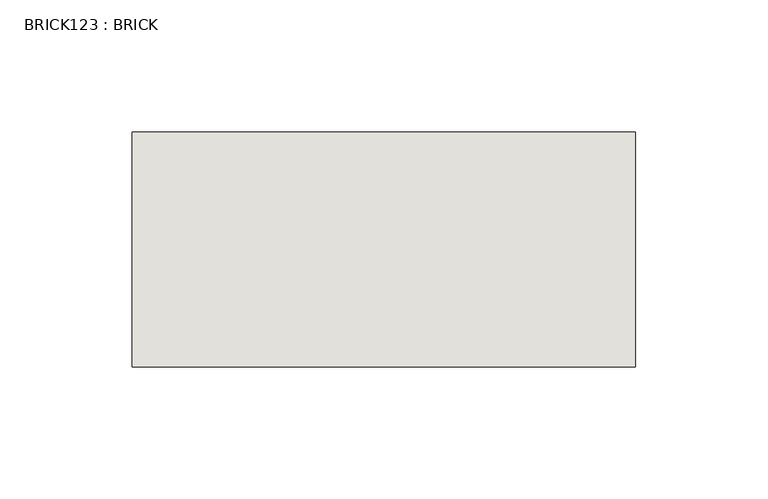
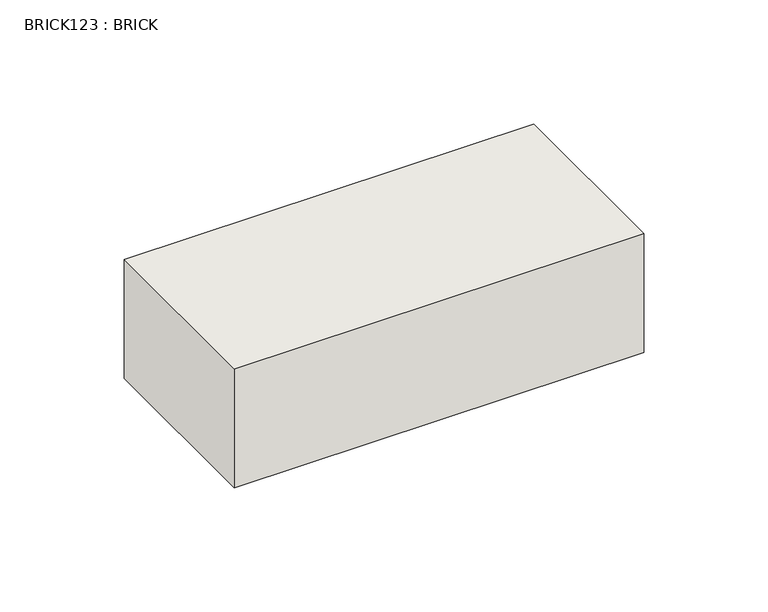
"""IFC4 building model written with IfcOpenShell, lengths in millimetres: wall geometry, BRICK123 : BRICK."""

import ifcopenshell
import ifcopenshell.guid

model = None  # the IFC model being written
_history = None  # IfcOwnerHistory: only IFC2X3 demands one
_inside = {}  # id of a spatial element -> (the spatial element, [elements in it])
_under = {}  # id of a project, library or spatial element -> (it, [spatial elements below it])
_declared = {}  # id of a project -> (the project, [libraries it declares])
_typed = {}  # id of a type object -> (the type object, [elements of that type])
_made_of = {}  # id of a material, layer set ... -> (it, [elements and type objects made of it])


def new_model(schema):
    """Start an empty IFC model of exactly this schema.

    Asked for "IFC4X3", IfcOpenShell would pick the latest addendum, in which some entities
    have other attributes; the version numbers below select the first issue.
    IFC2X3 requires an IfcOwnerHistory on every rooted entity: one is made here for all.
    """
    global model, _history
    if schema == "IFC4X3":
        model = ifcopenshell.file(schema_version=(4, 3, 0, 0))
    else:
        model = ifcopenshell.file(schema=schema)
    _inside.clear()
    _under.clear()
    _declared.clear()
    _typed.clear()
    _made_of.clear()
    _history = None
    if model.schema == "IFC2X3":
        org = make("IfcOrganization", Name="unknown")
        user = make(
            "IfcPersonAndOrganization",
            ThePerson=make("IfcPerson", FamilyName="unknown"),
            TheOrganization=org,
        )
        app = make(
            "IfcApplication",
            ApplicationDeveloper=org,
            Version="unknown",
            ApplicationFullName="unknown",
            ApplicationIdentifier="unknown",
        )
        _history = make(
            "IfcOwnerHistory",
            OwningUser=user,
            OwningApplication=app,
            ChangeAction="ADDED",
            CreationDate=0,
        )
    return model


def make(cls, **values):
    """One entity of the class cls with the attributes given. An attribute that is None is left unset."""
    return model.create_entity(
        cls, **{name: value for name, value in values.items() if value is not None}
    )


def rooted(cls, **values):
    """An entity with a GlobalId (a new one), such as an element, a storey or a relation."""
    return make(cls, GlobalId=ifcopenshell.guid.new(), OwnerHistory=_history, **values)


def si_unit(unit_type, name, prefix=None):
    """IfcSIUnit, for example si_unit("LENGTHUNIT", "METRE", prefix="MILLI")."""
    return make("IfcSIUnit", UnitType=unit_type, Prefix=prefix, Name=name)


def assignment(units):
    """IfcUnitAssignment: the units of a project."""
    return None if units is None else make("IfcUnitAssignment", Units=units)


def point(xyz):
    """IfcCartesianPoint."""
    return None if xyz is None else make("IfcCartesianPoint", Coordinates=xyz)


def direction(xyz):
    """IfcDirection."""
    return None if xyz is None else make("IfcDirection", DirectionRatios=xyz)


def frame(location, z_axis=None, x_axis=None):
    """IfcAxis2Placement3D, a coordinate frame: its origin and axes. An axis left out is left unset."""
    return make(
        "IfcAxis2Placement3D",
        Location=point(location),
        Axis=direction(z_axis),
        RefDirection=direction(x_axis),
    )


def origin():
    """The frame at (0, 0, 0) with its axes left unset."""
    return frame((0.0, 0.0, 0.0))


def place(relative_to, where):
    """IfcLocalPlacement: puts the frame where relative to a parent placement (None: the world)."""
    return make(
        "IfcLocalPlacement", PlacementRelTo=relative_to, RelativePlacement=where
    )


def context(
    kind, dimensions, precision=None, world=None, true_north=None, identifier=None
):
    """IfcGeometricRepresentationContext, for example the 3D "Model" context."""
    return make(
        "IfcGeometricRepresentationContext",
        ContextIdentifier=identifier,
        ContextType=kind,
        CoordinateSpaceDimension=dimensions,
        Precision=precision,
        WorldCoordinateSystem=world,
        TrueNorth=true_north,
    )


def project(units=None, contexts=None):
    """IfcProject with its units and contexts."""
    return rooted(
        "IfcProject",
        Name="project",
        RepresentationContexts=contexts,
        UnitsInContext=assignment(units),
    )


def spatial(cls, under=None, at=None, **own):
    """A site, building, storey or space (cls), placed at a placement, below another one or the project."""
    s = rooted(cls, ObjectPlacement=at, **own)
    if under is not None:
        _under.setdefault(under.id(), (under, []))[1].append(s)
    return s


def polyline(points):
    """IfcPolyline through the points."""
    return make("IfcPolyline", Points=[point(p) for p in points])


def outline(outer, holes=None, kind="AREA"):
    """IfcArbitraryClosedProfileDef: a profile drawn as a closed curve; with holes, ...WithVoids."""
    if holes is None:
        return make("IfcArbitraryClosedProfileDef", ProfileType=kind, OuterCurve=outer)
    return make(
        "IfcArbitraryProfileDefWithVoids",
        ProfileType=kind,
        OuterCurve=outer,
        InnerCurves=holes,
    )


def extrude(swept, where, along, depth):
    """IfcExtrudedAreaSolid: the profile swept, set in the frame where, extruded along a direction by depth."""
    return make(
        "IfcExtrudedAreaSolid",
        SweptArea=swept,
        Position=where,
        ExtrudedDirection=direction(along),
        Depth=depth,
    )


def shape(context_of_items, identifier, shape_type, items):
    """IfcShapeRepresentation: the items that make up one representation, for example the "Body"."""
    return make(
        "IfcShapeRepresentation",
        ContextOfItems=context_of_items,
        RepresentationIdentifier=identifier,
        RepresentationType=shape_type,
        Items=items,
    )


def source(mapping_origin, context_of_items, identifier, shape_type, items):
    """IfcRepresentationMap: a shape defined once, which mapped items show again and again."""
    return make(
        "IfcRepresentationMap",
        MappingOrigin=mapping_origin,
        MappedRepresentation=shape(context_of_items, identifier, shape_type, items),
    )


def transform(
    local_origin,
    x_axis=None,
    y_axis=None,
    z_axis=None,
    scale=None,
    scale2=None,
    scale3=None,
    uniform=True,
):
    """IfcCartesianTransformationOperator3D, or its non-uniform kind. x_axis, y_axis, z_axis: its Axis1, 2, 3."""
    if uniform:
        return make(
            "IfcCartesianTransformationOperator3D",
            Axis1=direction(x_axis),
            Axis2=direction(y_axis),
            LocalOrigin=point(local_origin),
            Scale=scale,
            Axis3=direction(z_axis),
        )
    return make(
        "IfcCartesianTransformationOperator3DnonUniform",
        Axis1=direction(x_axis),
        Axis2=direction(y_axis),
        LocalOrigin=point(local_origin),
        Scale=scale,
        Axis3=direction(z_axis),
        Scale2=scale2,
        Scale3=scale3,
    )


def mapped(mapping_source, mapping_target):
    """IfcMappedItem: shows the shape of a source again, moved by a transform."""
    return make(
        "IfcMappedItem", MappingSource=mapping_source, MappingTarget=mapping_target
    )


def made_of(thing, what):
    """Note that an element or type object is made of a material, layer set ...; save() writes the relation."""
    if what is not None:
        _made_of.setdefault(what.id(), (what, []))[1].append(thing)
    return thing


def element(
    cls,
    number,
    at=None,
    inside=None,
    cuts=None,
    type_object=None,
    material=None,
    context=None,
    identifier="Body",
    shape_type=None,
    held_by="IfcProductDefinitionShape",
    body=None,
    shapes=None,
    **own,
):
    """One element of the class cls, such as IfcWall. Its Tag is "e" and its number.

    at: its placement. inside: the storey or other place that contains it. cuts: it is an
    opening in that element (IfcRelVoidsElement). A single representation is given by context,
    identifier, shape_type and body (its items); several are given by shapes. held_by: the class
    of the entity that holds the representations. save() writes the other relations.
    """
    e = rooted(cls, Tag="e%d" % number, ObjectPlacement=at, **own)
    if body is not None:
        shapes = [shape(context, identifier, shape_type, body)]
    if shapes is not None:
        e.Representation = make(held_by, Representations=shapes)
    if inside is not None:
        _inside.setdefault(inside.id(), (inside, []))[1].append(e)
    if cuts is not None:
        rooted(
            "IfcRelVoidsElement", RelatingBuildingElement=cuts, RelatedOpeningElement=e
        )
    if type_object is not None:
        _typed.setdefault(type_object.id(), (type_object, []))[1].append(e)
    return made_of(e, material)


def aggregate(whole, parts):
    """IfcRelAggregates: a whole, such as a stair, and the parts it consists of."""
    return rooted("IfcRelAggregates", RelatingObject=whole, RelatedObjects=parts)


def save(model, path):
    """Write the relations noted so far, then the file.

    IfcRelAggregates (storeys below a building ...), IfcRelContainedInSpatialStructure (elements
    in a storey), IfcRelDefinesByType, IfcRelAssociatesMaterial and IfcRelDeclares: one each for
    every whole, place, type object, material and project.
    """
    for whole, parts in _under.values():
        aggregate(whole, parts)
    for where, things in _inside.values():
        rooted(
            "IfcRelContainedInSpatialStructure",
            RelatedElements=things,
            RelatingStructure=where,
        )
    for kind, things in _typed.values():
        rooted("IfcRelDefinesByType", RelatedObjects=things, RelatingType=kind)
    for what, things in _made_of.values():
        rooted("IfcRelAssociatesMaterial", RelatedObjects=things, RelatingMaterial=what)
    for by, libraries in _declared.values():
        rooted("IfcRelDeclares", RelatingContext=by, RelatedDefinitions=libraries)
    model.write(path)


def brick123_brick_5d0d086c(model_context):
    return source(origin(), model_context, "Body", "SweptSolid", [
        extrude(outline(polyline([(528.9272594, 2586.2274125), (719.4272594, 2586.2274125), (719.4272594, 2497.3274125), (528.9272594, 2497.3274125), (528.9272594, 2586.2274125)])), frame((0.0, 0.0, 143.8671875), z_axis=(0.0, 0.0, 1.0), x_axis=(1.0, 0.0, 0.0)), (0.0, 0.0, 1.0), 58.4398437),
    ])


if __name__ == "__main__":
    model = new_model("IFC4")
    model_context = context("Model", 3, world=origin())
    ifc_project = project(units=[si_unit("LENGTHUNIT", "METRE", prefix="MILLI")], contexts=[model_context])
    site = spatial("IfcSite", under=ifc_project)
    building = spatial("IfcBuilding", under=site)
    placement = place(None, origin())
    brick123_brick_shape = brick123_brick_5d0d086c(model_context)
    element("IfcWall", 1, ObjectType="BRICK123 : BRICK", at=placement, inside=building, context=model_context, shape_type="MappedRepresentation", body=[
        mapped(brick123_brick_shape, transform((0.0, 0.0, 0.0), x_axis=(1.0, 0.0, 0.0), y_axis=(0.0, 1.0, 0.0), z_axis=(0.0, 0.0, 1.0))),
    ])
    save(model, "model.ifc")
